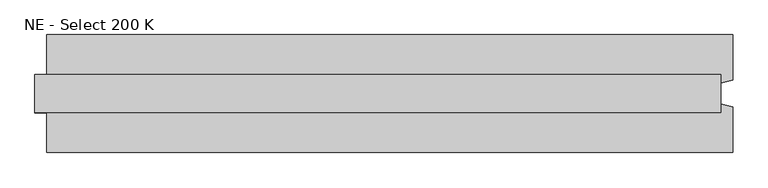
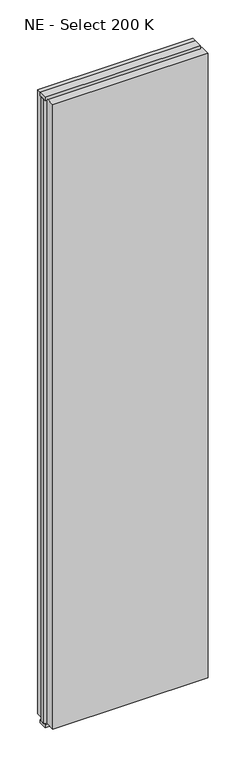
"""IFC4 building model written with IfcOpenShell, lengths in millimetres: plate geometry, NE - Select 200 K."""

import ifcopenshell
import ifcopenshell.guid

model = None  # the IFC model being written
_history = None  # IfcOwnerHistory: only IFC2X3 demands one
_inside = {}  # id of a spatial element -> (the spatial element, [elements in it])
_under = {}  # id of a project, library or spatial element -> (it, [spatial elements below it])
_declared = {}  # id of a project -> (the project, [libraries it declares])
_typed = {}  # id of a type object -> (the type object, [elements of that type])
_made_of = {}  # id of a material, layer set ... -> (it, [elements and type objects made of it])


def new_model(schema):
    """Start an empty IFC model of exactly this schema.

    Asked for "IFC4X3", IfcOpenShell would pick the latest addendum, in which some entities
    have other attributes; the version numbers below select the first issue.
    IFC2X3 requires an IfcOwnerHistory on every rooted entity: one is made here for all.
    """
    global model, _history
    if schema == "IFC4X3":
        model = ifcopenshell.file(schema_version=(4, 3, 0, 0))
    else:
        model = ifcopenshell.file(schema=schema)
    _inside.clear()
    _under.clear()
    _declared.clear()
    _typed.clear()
    _made_of.clear()
    _history = None
    if model.schema == "IFC2X3":
        org = make("IfcOrganization", Name="unknown")
        user = make(
            "IfcPersonAndOrganization",
            ThePerson=make("IfcPerson", FamilyName="unknown"),
            TheOrganization=org,
        )
        app = make(
            "IfcApplication",
            ApplicationDeveloper=org,
            Version="unknown",
            ApplicationFullName="unknown",
            ApplicationIdentifier="unknown",
        )
        _history = make(
            "IfcOwnerHistory",
            OwningUser=user,
            OwningApplication=app,
            ChangeAction="ADDED",
            CreationDate=0,
        )
    return model


def make(cls, **values):
    """One entity of the class cls with the attributes given. An attribute that is None is left unset."""
    return model.create_entity(
        cls, **{name: value for name, value in values.items() if value is not None}
    )


def rooted(cls, **values):
    """An entity with a GlobalId (a new one), such as an element, a storey or a relation."""
    return make(cls, GlobalId=ifcopenshell.guid.new(), OwnerHistory=_history, **values)


def si_unit(unit_type, name, prefix=None):
    """IfcSIUnit, for example si_unit("LENGTHUNIT", "METRE", prefix="MILLI")."""
    return make("IfcSIUnit", UnitType=unit_type, Prefix=prefix, Name=name)


def assignment(units):
    """IfcUnitAssignment: the units of a project."""
    return None if units is None else make("IfcUnitAssignment", Units=units)


def point(xyz):
    """IfcCartesianPoint."""
    return None if xyz is None else make("IfcCartesianPoint", Coordinates=xyz)


def direction(xyz):
    """IfcDirection."""
    return None if xyz is None else make("IfcDirection", DirectionRatios=xyz)


def frame(location, z_axis=None, x_axis=None):
    """IfcAxis2Placement3D, a coordinate frame: its origin and axes. An axis left out is left unset."""
    return make(
        "IfcAxis2Placement3D",
        Location=point(location),
        Axis=direction(z_axis),
        RefDirection=direction(x_axis),
    )


def origin():
    """The frame at (0, 0, 0) with its axes left unset."""
    return frame((0.0, 0.0, 0.0))


def origin_with_axes():
    """The frame at (0, 0, 0) with the z axis (0, 0, 1) and the x axis (1, 0, 0) written out."""
    return frame((0.0, 0.0, 0.0), z_axis=(0.0, 0.0, 1.0), x_axis=(1.0, 0.0, 0.0))


def place(relative_to, where):
    """IfcLocalPlacement: puts the frame where relative to a parent placement (None: the world)."""
    return make(
        "IfcLocalPlacement", PlacementRelTo=relative_to, RelativePlacement=where
    )


def context(
    kind, dimensions, precision=None, world=None, true_north=None, identifier=None
):
    """IfcGeometricRepresentationContext, for example the 3D "Model" context."""
    return make(
        "IfcGeometricRepresentationContext",
        ContextIdentifier=identifier,
        ContextType=kind,
        CoordinateSpaceDimension=dimensions,
        Precision=precision,
        WorldCoordinateSystem=world,
        TrueNorth=true_north,
    )


def project(units=None, contexts=None):
    """IfcProject with its units and contexts."""
    return rooted(
        "IfcProject",
        Name="project",
        RepresentationContexts=contexts,
        UnitsInContext=assignment(units),
    )


def spatial(cls, under=None, at=None, **own):
    """A site, building, storey or space (cls), placed at a placement, below another one or the project."""
    s = rooted(cls, ObjectPlacement=at, **own)
    if under is not None:
        _under.setdefault(under.id(), (under, []))[1].append(s)
    return s


def polyline(points):
    """IfcPolyline through the points."""
    return make("IfcPolyline", Points=[point(p) for p in points])


def outline(outer, holes=None, kind="AREA"):
    """IfcArbitraryClosedProfileDef: a profile drawn as a closed curve; with holes, ...WithVoids."""
    if holes is None:
        return make("IfcArbitraryClosedProfileDef", ProfileType=kind, OuterCurve=outer)
    return make(
        "IfcArbitraryProfileDefWithVoids",
        ProfileType=kind,
        OuterCurve=outer,
        InnerCurves=holes,
    )


def extrude(swept, where, along, depth):
    """IfcExtrudedAreaSolid: the profile swept, set in the frame where, extruded along a direction by depth."""
    return make(
        "IfcExtrudedAreaSolid",
        SweptArea=swept,
        Position=where,
        ExtrudedDirection=direction(along),
        Depth=depth,
    )


def shape(context_of_items, identifier, shape_type, items):
    """IfcShapeRepresentation: the items that make up one representation, for example the "Body"."""
    return make(
        "IfcShapeRepresentation",
        ContextOfItems=context_of_items,
        RepresentationIdentifier=identifier,
        RepresentationType=shape_type,
        Items=items,
    )


def source(mapping_origin, context_of_items, identifier, shape_type, items):
    """IfcRepresentationMap: a shape defined once, which mapped items show again and again."""
    return make(
        "IfcRepresentationMap",
        MappingOrigin=mapping_origin,
        MappedRepresentation=shape(context_of_items, identifier, shape_type, items),
    )


def transform(
    local_origin,
    x_axis=None,
    y_axis=None,
    z_axis=None,
    scale=None,
    scale2=None,
    scale3=None,
    uniform=True,
):
    """IfcCartesianTransformationOperator3D, or its non-uniform kind. x_axis, y_axis, z_axis: its Axis1, 2, 3."""
    if uniform:
        return make(
            "IfcCartesianTransformationOperator3D",
            Axis1=direction(x_axis),
            Axis2=direction(y_axis),
            LocalOrigin=point(local_origin),
            Scale=scale,
            Axis3=direction(z_axis),
        )
    return make(
        "IfcCartesianTransformationOperator3DnonUniform",
        Axis1=direction(x_axis),
        Axis2=direction(y_axis),
        LocalOrigin=point(local_origin),
        Scale=scale,
        Axis3=direction(z_axis),
        Scale2=scale2,
        Scale3=scale3,
    )


def mapped(mapping_source, mapping_target):
    """IfcMappedItem: shows the shape of a source again, moved by a transform."""
    return make(
        "IfcMappedItem", MappingSource=mapping_source, MappingTarget=mapping_target
    )


def made_of(thing, what):
    """Note that an element or type object is made of a material, layer set ...; save() writes the relation."""
    if what is not None:
        _made_of.setdefault(what.id(), (what, []))[1].append(thing)
    return thing


def element(
    cls,
    number,
    at=None,
    inside=None,
    cuts=None,
    type_object=None,
    material=None,
    context=None,
    identifier="Body",
    shape_type=None,
    held_by="IfcProductDefinitionShape",
    body=None,
    shapes=None,
    **own,
):
    """One element of the class cls, such as IfcWall. Its Tag is "e" and its number.

    at: its placement. inside: the storey or other place that contains it. cuts: it is an
    opening in that element (IfcRelVoidsElement). A single representation is given by context,
    identifier, shape_type and body (its items); several are given by shapes. held_by: the class
    of the entity that holds the representations. save() writes the other relations.
    """
    e = rooted(cls, Tag="e%d" % number, ObjectPlacement=at, **own)
    if body is not None:
        shapes = [shape(context, identifier, shape_type, body)]
    if shapes is not None:
        e.Representation = make(held_by, Representations=shapes)
    if inside is not None:
        _inside.setdefault(inside.id(), (inside, []))[1].append(e)
    if cuts is not None:
        rooted(
            "IfcRelVoidsElement", RelatingBuildingElement=cuts, RelatedOpeningElement=e
        )
    if type_object is not None:
        _typed.setdefault(type_object.id(), (type_object, []))[1].append(e)
    return made_of(e, material)


def aggregate(whole, parts):
    """IfcRelAggregates: a whole, such as a stair, and the parts it consists of."""
    return rooted("IfcRelAggregates", RelatingObject=whole, RelatedObjects=parts)


def save(model, path):
    """Write the relations noted so far, then the file.

    IfcRelAggregates (storeys below a building ...), IfcRelContainedInSpatialStructure (elements
    in a storey), IfcRelDefinesByType, IfcRelAssociatesMaterial and IfcRelDeclares: one each for
    every whole, place, type object, material and project.
    """
    for whole, parts in _under.values():
        aggregate(whole, parts)
    for where, things in _inside.values():
        rooted(
            "IfcRelContainedInSpatialStructure",
            RelatedElements=things,
            RelatingStructure=where,
        )
    for kind, things in _typed.values():
        rooted("IfcRelDefinesByType", RelatedObjects=things, RelatingType=kind)
    for what, things in _made_of.values():
        rooted("IfcRelAssociatesMaterial", RelatedObjects=things, RelatingMaterial=what)
    for by, libraries in _declared.values():
        rooted("IfcRelDeclares", RelatingContext=by, RelatedDefinitions=libraries)
    model.write(path)


def ne_select_200_k_19b4034e(model_context):
    return source(origin(), model_context, "Body", "SweptSolid", [
        extrude(outline(polyline([(602.9166667, 100.0), (602.9166667, 22.9993165), (582.9166667, 17.6401049), (582.9166667, -17.6401049), (602.9166667, -22.9993165), (602.9166667, -100.0), (-562.9166667, -100.0), (-562.9166667, -22.9993165), (-582.9166667, -17.6401049), (-582.9166667, 17.6401049), (-562.9166667, 22.9993165), (-562.9166667, 100.0), (602.9166667, 100.0)])), frame((0.0, 0.0, 25.0), z_axis=(0.0, 0.0, 1.0), x_axis=(1.0, 0.0, 0.0)), (0.0, 0.0, 1.0), 4950.0),
        extrude(outline(polyline([(582.9166667, 32.0), (582.9166667, -32.0), (-582.9166667, -32.0), (-582.9166667, 32.0), (582.9166667, 32.0)])), origin_with_axes(), (0.0, 0.0, 1.0), 25.0),
        extrude(outline(polyline([(582.9166667, 32.0), (582.9166667, -32.0), (-582.9166667, -32.0), (-582.9166667, 32.0), (582.9166667, 32.0)])), frame((0.0, 0.0, 4975.0), z_axis=(0.0, 0.0, 1.0), x_axis=(1.0, 0.0, 0.0)), (0.0, 0.0, 1.0), 25.0),
    ])


if __name__ == "__main__":
    model = new_model("IFC4")
    model_context = context("Model", 3, world=origin())
    ifc_project = project(units=[si_unit("LENGTHUNIT", "METRE", prefix="MILLI")], contexts=[model_context])
    site = spatial("IfcSite", under=ifc_project)
    building = spatial("IfcBuilding", under=site)
    placement = place(None, origin())
    ne_select_200_k_shape = ne_select_200_k_19b4034e(model_context)
    element("IfcPlate", 1, ObjectType="NE - Select 200 K", at=placement, inside=building, context=model_context, shape_type="MappedRepresentation", body=[
        mapped(ne_select_200_k_shape, transform((0.0, 0.0, 0.0), x_axis=(1.0, 0.0, 0.0), y_axis=(0.0, 1.0, 0.0), z_axis=(0.0, 0.0, 1.0))),
    ])
    save(model, "model.ifc")
